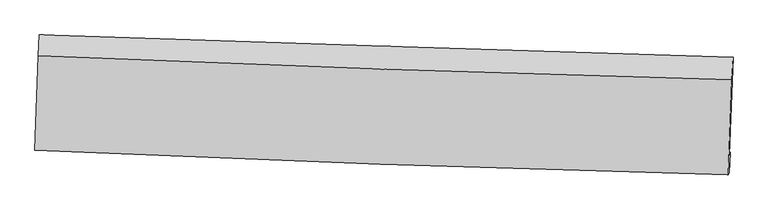
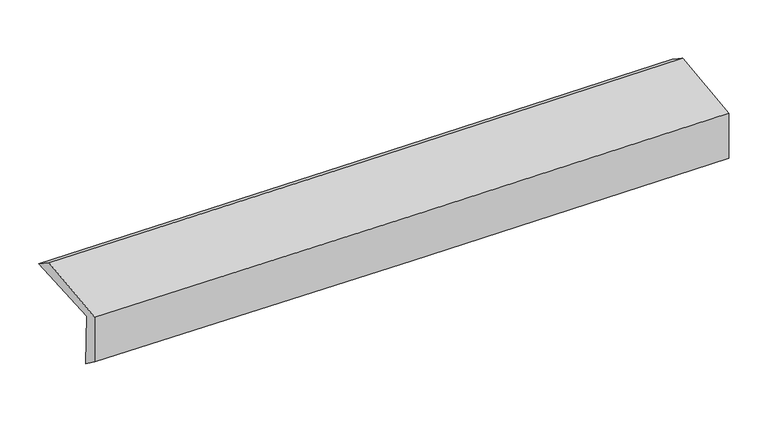
"""IFC4 building model written with IfcOpenShell, lengths in millimetres: proxy geometry."""

from ifc_helpers import new_model, si_unit, frame, origin, place, context, project, spatial, source, transform, mapped, element, save
from ifc_brep_helpers import plane_surface, spline_curve, spline_surface, advanced_brep


def generic_models_29ab36e9(model_context):
    return source(origin(), model_context, "Body", "AdvancedBrep", [
        advanced_brep(
        [(-2416.3116421, -1744.1403279, 2016.2025267), (-2390.2272695, -1057.1412882, 2018.854502), (2412.9450784, -1210.5945322, 2102.959114), (2386.1767082, -1890.1686034, 2089.5437746), (-2408.6751836, -1712.0956149, 1606.2581053), (2393.3156192, -1869.4063365, 1684.574744), (-2415.1844255, -1843.4653074, 1702.9267615), (2386.067936, -2011.8580636, 1786.7146634), (-2421.5960748, -1857.4905592, 2078.407146), (2379.5709794, -2026.0699222, 2167.1908361), (-2397.2267595, -1200.2036757, 2118.4350354), (2405.0411361, -1368.7361776, 2207.2413248)],
        [
            (0, 1),
            (1, 2, spline_curve(3, [(-2390.2272695, -1057.1412882, 2018.854502), (-1589.893167964, -1084.363127403, 2033.18140086), (-789.512586155, -1110.760298172, 2047.352697958), (811.544839418, -1161.911798607, 2075.387647499), (1612.221706834, -1186.665709079, 2089.251221208), (2412.9450784, -1210.5945322, 2102.959114)], [4, 2, 4], [0.0, 7.882547286853248, 15.767096667737988])),
            (2, 3),
            (3, 0, spline_curve(3, [(2386.1767082, -1890.1686034, 2089.5437746), (1585.764381582, -1865.018489336, 2074.04794039), (785.300031186, -1840.27291557, 2060.18768417), (-815.529445267, -1791.597029057, 2035.741431996), (-1615.894544961, -1767.666511268, 2025.154605592), (-2416.3116421, -1744.1403279, 2016.2025267)], [4, 2, 4], [0.0, 7.88454938088474, 15.767096667737988])),
            (4, 0),
            (3, 5),
            (5, 4, spline_curve(3, [(2393.3156192, -1869.4063365, 1684.574744), (1592.816813963, -1846.137208485, 1669.908402377), (792.35070258, -1821.391565619, 1656.048118887), (-808.312881926, -1768.953908475, 1629.942981723), (-1608.510371438, -1741.262644373, 1617.697719254), (-2408.6751836, -1712.0956149, 1606.2581053)], [4, 2, 4], [0.0, 7.883610826446126, 15.765219797184365])),
            (6, 4),
            (5, 7),
            (7, 6, spline_curve(3, [(2386.067936, -2011.8580636, 1786.7146634), (1585.532666619, -1990.440044495, 1772.961899361), (785.109877627, -1965.696100812, 1759.10229176), (-815.307519035, -1909.563493464, 1731.172936888), (-1615.302184087, -1878.176518113, 1717.103243691), (-2415.1844255, -1843.4653074, 1702.9267615)], [4, 2, 4], [0.0, 7.883369776258838, 15.764737758018757])),
            (8, 6),
            (7, 9),
            (9, 8, spline_curve(3, [(2379.5709794, -2026.0699222, 2167.1908361), (1579.021486722, -2004.68301605, 2154.271020524), (778.598697815, -1979.93907239, 2140.411413161), (-821.790256034, -1923.744246986, 2110.816372595), (-1621.756485182, -1892.295069396, 2095.081416639), (-2421.5960748, -1857.4905592, 2078.407146)], [4, 2, 4], [0.0, 7.8832030113131815, 15.764404270473442])),
            (10, 8),
            (9, 11),
            (11, 10, spline_curve(3, [(2405.0411361, -1368.7361776, 2207.2413248), (1604.263378408, -1347.325303625, 2194.318848647), (803.634711498, -1322.573284009, 2180.456027208), (-797.121177923, -1266.394086783, 2150.853453504), (-1597.248476124, -1234.968605911, 2135.114178263), (-2397.2267595, -1200.2036757, 2118.4350354)], [4, 2, 4], [0.0, 7.8841192401017155, 15.766236495395972])),
            (1, 10),
            (11, 2),
        ],
        [
            spline_surface(3, 3, [[(-2416.3116421, -1744.1403279, 2016.2025267), (-1615.894544923, -1767.666511141, 2025.15460556), (-815.529445298, -1791.597029108, 2035.741432035), (785.300031216, -1840.272915519, 2060.187684132), (1585.764381698, -1865.018489389, 2074.047940309), (2386.1767082, -1890.1686034, 2089.5437746)], [(-2407.616851232, -1515.140648021, 2017.086518473), (-1607.2274193, -1539.898716573, 2027.830204023), (-806.857158945, -1564.651452159, 2039.611854003), (794.048300628, -1614.152543202, 2065.254338635), (1594.583490116, -1638.900895956, 2079.115700651), (2395.099498276, -1663.643913028, 2094.0155544)], [(-2398.922060368, -1286.140968079, 2017.970510227), (-1598.560293681, -1312.130921943, 2030.505802466), (-798.184872567, -1337.705875185, 2043.482275909), (802.796570065, -1388.032170861, 2070.320993076), (1603.402598505, -1412.783302438, 2084.183460991), (2404.022288324, -1437.119222572, 2098.4873342)], [(-2390.2272695, -1057.1412882, 2018.854502), (-1589.893168058, -1084.363127375, 2033.18140093), (-789.512586214, -1110.760298235, 2047.352697877), (811.544839477, -1161.911798544, 2075.38764758), (1612.221706923, -1186.665709006, 2089.251221333), (2412.9450784, -1210.5945322, 2102.959114)]], [4, 4], [4, 2, 4], [0.0, 2.231735276350393], [0.0, 7.882547286853248, 15.767096667737988]),
            spline_surface(3, 3, [[(-2408.6751836, -1712.0956149, 1606.2581053), (-1608.510371323, -1741.262644284, 1617.697719278), (-808.312881828, -1768.953908565, 1629.942981851), (792.350702482, -1821.391565529, 1656.04811876), (1592.816813964, -1846.137208433, 1669.908402456), (2393.3156192, -1869.4063365, 1684.574744)], [(-2411.220669781, -1722.777185887, 1742.906245768), (-1610.971762537, -1750.063933223, 1753.516681373), (-810.718402965, -1776.501615406, 1765.209131912), (790.000478747, -1827.685348852, 1790.761307217), (1590.466003213, -1852.430968729, 1804.621581749), (2390.935982204, -1876.32709211, 1819.564420875)], [(-2413.766155919, -1733.458756913, 1879.554386232), (-1613.433153708, -1758.865222202, 1889.335643465), (-813.123924161, -1784.049322267, 1900.475281974), (787.650254951, -1833.979132196, 1925.474495675), (1588.11519245, -1858.724729093, 1939.334761016), (2388.556345196, -1883.24784779, 1954.554097725)], [(-2416.3116421, -1744.1403279, 2016.2025267), (-1615.894544922, -1767.666511141, 2025.15460556), (-815.529445298, -1791.597029108, 2035.741432035), (785.300031216, -1840.272915519, 2060.187684132), (1585.764381698, -1865.018489389, 2074.047940309), (2386.1767082, -1890.1686034, 2089.5437746)]], [4, 4], [4, 2, 4], [0.0, 1.3305885585767272], [0.0, 7.881608970738239, 15.765219797184365]),
            spline_surface(3, 3, [[(-2415.1844255, -1843.4653074, 1702.9267615), (-1615.302184001, -1878.176518022, 1717.103243693), (-815.307519072, -1909.563493346, 1731.172936891), (785.109877665, -1965.69610093, 1759.102291757), (1585.53266653, -1990.440044367, 1772.961899234), (2386.067936, -2011.8580636, 1786.7146634)], [(-2413.014678181, -1799.67540989, 1670.703876089), (-1613.038246422, -1832.5385601, 1683.968068877), (-812.975973337, -1862.693631764, 1697.429618512), (787.523485924, -1917.594589141, 1724.750900726), (1587.960715653, -1942.339099066, 1738.610733633), (2388.483830378, -1964.374154577, 1752.668023592)], [(-2410.844930919, -1755.88551241, 1638.480990711), (-1610.774308901, -1786.900602207, 1650.832894094), (-810.644427563, -1815.823770147, 1663.68630023), (789.937094222, -1869.493077318, 1690.399509791), (1590.388764841, -1894.238153734, 1704.259568057), (2390.899724822, -1916.890245523, 1718.621383808)], [(-2408.6751836, -1712.0956149, 1606.2581053), (-1608.510371323, -1741.262644284, 1617.697719278), (-808.312881828, -1768.953908565, 1629.942981851), (792.350702482, -1821.391565529, 1656.04811876), (1592.816813964, -1846.137208433, 1669.908402456), (2393.3156192, -1869.4063365, 1684.574744)]], [4, 4], [4, 2, 4], [0.0, 0.5755780695252732], [0.0, 7.88136798175992, 15.764737758018757]),
            spline_surface(3, 3, [[(-2421.5960748, -1857.4905592, 2078.407146), (-1621.756485179, -1892.295069267, 2095.081416607), (-821.790255972, -1923.744246865, 2110.816372584), (778.598697753, -1979.939072511, 2140.411413172), (1579.021486618, -2004.683015948, 2154.271020549), (2379.5709794, -2026.0699222, 2167.1908361)], [(-2419.458858387, -1852.815475274, 1953.247017841), (-1619.605051473, -1887.588885526, 1969.08869231), (-819.62934367, -1919.017329036, 1984.268560699), (780.769091059, -1975.191415329, 2013.308372714), (1581.191879923, -1999.935358765, 2027.167980091), (2381.736631602, -2021.332636011, 2040.36544518)], [(-2417.321641913, -1848.140391326, 1828.086889659), (-1617.453617707, -1882.882701764, 1843.095967991), (-817.468431374, -1914.290411175, 1857.720748775), (782.939484359, -1970.443758113, 1886.205332216), (1583.362273224, -1995.187701549, 1900.064939692), (2383.902283798, -2016.595349789, 1913.54005432)], [(-2415.1844255, -1843.4653074, 1702.9267615), (-1615.302184001, -1878.176518022, 1717.103243693), (-815.307519072, -1909.563493346, 1731.172936891), (785.109877665, -1965.69610093, 1759.102291757), (1585.53266653, -1990.440044367, 1772.961899234), (2386.067936, -2011.8580636, 1786.7146634)]], [4, 4], [4, 2, 4], [0.0, 1.249334816590355], [0.0, 7.88120125916026, 15.764404270473442]),
            spline_surface(3, 3, [[(-2397.2267595, -1200.2036757, 2118.4350354), (-1597.248476216, -1234.968605836, 2135.11417821), (-797.121177968, -1266.394086787, 2150.853453384), (803.634711543, -1322.573284005, 2180.456027329), (1604.26337846, -1347.325303705, 2194.318848657), (2405.0411361, -1368.7361776, 2207.2413248)], [(-2405.349864579, -1419.299303535, 2105.092405601), (-1605.417812517, -1454.077426981, 2121.769924343), (-805.344203979, -1485.510806791, 2137.507759783), (795.289373604, -1541.695213485, 2167.107822609), (1595.849414513, -1566.444541112, 2180.969572646), (2396.551083867, -1587.847425793, 2193.891161925)], [(-2413.472969721, -1638.394931365, 2091.749775799), (-1613.587148879, -1673.186248122, 2108.425670474), (-813.567229962, -1704.627526861, 2124.162066184), (786.944035692, -1760.817143032, 2153.759617892), (1587.435450564, -1785.563778541, 2167.62029656), (2388.061031633, -1806.958674007, 2180.540998975)], [(-2421.5960748, -1857.4905592, 2078.407146), (-1621.756485179, -1892.295069267, 2095.081416607), (-821.790255972, -1923.744246865, 2110.816372584), (778.598697753, -1979.939072511, 2140.411413172), (1579.021486618, -2004.683015948, 2154.271020549), (2379.5709794, -2026.0699222, 2167.1908361)]], [4, 4], [4, 2, 4], [0.0, 2.1622214217208486], [0.0, 7.882117255294257, 15.766236495395972]),
            spline_surface(3, 3, [[(-2390.2272695, -1057.1412882, 2018.854502), (-1589.893168058, -1084.363127375, 2033.18140093), (-789.512586214, -1110.760298235, 2047.352697877), (811.544839477, -1161.911798544, 2075.38764758), (1612.221706923, -1186.665709006, 2089.251221333), (2412.9450784, -1210.5945322, 2102.959114)], [(-2392.56043284, -1104.828750694, 2052.048013129), (-1592.344937451, -1134.564953523, 2067.158993352), (-792.048783457, -1162.638227751, 2081.852949711), (808.908130173, -1215.46562703, 2110.410440828), (1609.568930775, -1240.218907219, 2124.273763768), (2410.310430973, -1263.30841398, 2137.719850927)], [(-2394.89359616, -1152.516213206, 2085.241524271), (-1594.796706823, -1184.766779688, 2101.136585788), (-794.584980725, -1214.516157271, 2116.353201549), (806.271420846, -1269.019455519, 2145.43323408), (1606.916154608, -1293.772105492, 2159.296306222), (2407.675783527, -1316.02229582, 2172.480587873)], [(-2397.2267595, -1200.2036757, 2118.4350354), (-1597.248476216, -1234.968605836, 2135.11417821), (-797.121177968, -1266.394086787, 2150.853453384), (803.634711543, -1322.573284005, 2180.456027329), (1604.26337846, -1347.325303705, 2194.318848657), (2405.0411361, -1368.7361776, 2207.2413248)]], [4, 4], [4, 2, 4], [0.0, 0.622031997270647], [0.0, 7.883211235177347, 15.768424733022915]),
            plane_surface(frame((2393.8529096, -1729.4722726, 2006.3707428), z_axis=(0.9990917122689805, -0.03966168492988141, 0.015578871074623324), x_axis=(0.017061472965365154, 0.03732135759310298, -0.9991576564324871))),
            plane_surface(frame((-2408.2035592, -1569.0894622, 1923.5140128), z_axis=(-0.9991554232985489, 0.037996887075562744, -0.015642143896054114), x_axis=(-0.037940951443733564, -0.9992725376437449, -0.0038574233077039613))),
        ],
        [
            (0, [[1, 2, 3, 4]]),
            (1, [[5, -4, 6, 7]]),
            (2, [[8, -7, 9, 10]]),
            (3, [[11, -10, 12, 13]]),
            (4, [[14, -13, 15, 16]]),
            (5, [[17, -16, 18, -2]]),
            (6, [[-12, -9, -6, -3, -18, -15]]),
            (7, [[-1, -5, -8, -11, -14, -17]]),
        ],
    ),
    ])


if __name__ == "__main__":
    model = new_model("IFC4")
    model_context = context("Model", 3, world=origin())
    ifc_project = project(units=[si_unit("LENGTHUNIT", "METRE", prefix="MILLI")], contexts=[model_context])
    site = spatial("IfcSite", under=ifc_project)
    building = spatial("IfcBuilding", under=site)
    placement = place(None, origin())
    generic_models_shape = generic_models_29ab36e9(model_context)
    element("IfcBuildingElementProxy", 1, Name="Generic Models", at=placement, inside=building, context=model_context, shape_type="MappedRepresentation", body=[
        mapped(generic_models_shape, transform((0.0, 0.0, 0.0), x_axis=(1.0, 0.0, 0.0), y_axis=(0.0, 1.0, 0.0), z_axis=(0.0, 0.0, 1.0))),
    ])
    save(model, "model.ifc")
